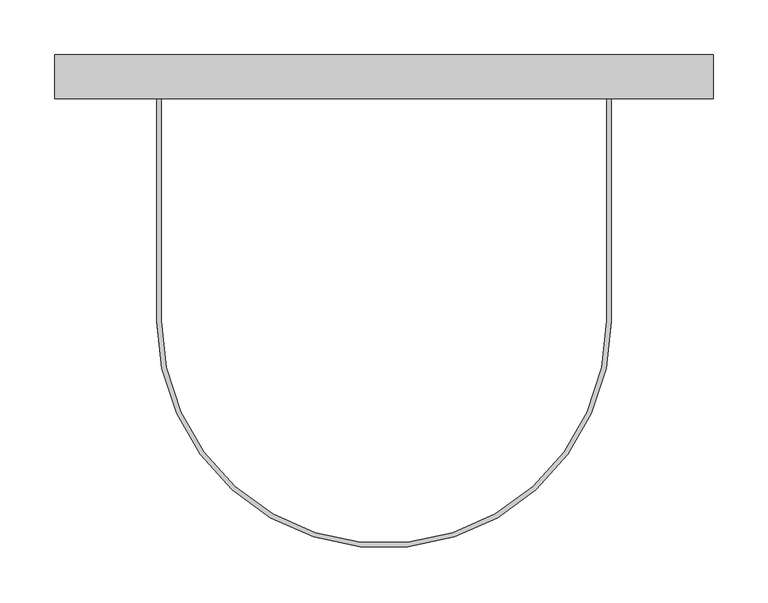
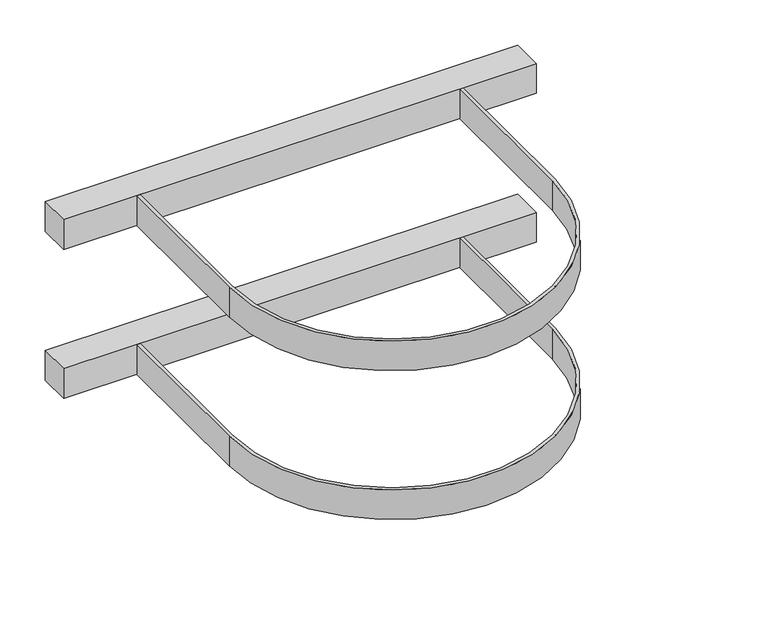
"""IFC4 building model written with IfcOpenShell, lengths in millimetres: proxy geometry."""

from ifc_helpers import new_model, si_unit, point, frame, origin, origin_2d, place, context, project, spatial, polyline, circle_curve, trimmed, segment, composite_curve, outline, extrude, source, transform, mapped, element, save


def specialty_equipment_26c2a469(model_context):
    return source(origin(), model_context, "Body", "SweptSolid", [
        extrude(outline(polyline([(300.0, 203.0), (-300.0, 203.0), (-300.0, 243.0), (300.0, 243.0), (300.0, 203.0)])), frame((0.0, 0.0, -20.0), z_axis=(0.0, 0.0, 1.0), x_axis=(1.0, 0.0, 0.0)), (0.0, 0.0, 1.0), 40.0),
        extrude(outline(composite_curve([segment(polyline([(-203.0, 203.0), (-203.0, 0.0)]), True, "CONTINUOUS"), segment(trimmed(circle_curve(origin_2d(), 203.0), [point((-203.0, 0.0))], [point((203.0, 0.0))], True, "CARTESIAN"), True, "CONTINUOUS"), segment(polyline([(203.0, 0.0), (203.0, 203.0), (207.0, 203.0), (207.0, 0.0)]), True, "CONTINUOUS"), segment(trimmed(circle_curve(origin_2d(), 207.0), [point((207.0, 0.0))], [point((-207.0, 0.0))], False, "CARTESIAN"), True, "CONTINUOUS"), segment(polyline([(-207.0, 0.0), (-207.0, 203.0), (-203.0, 203.0)]), True, "CONTINUOUS")], self_intersect=False)), frame((0.0, 0.0, -20.0), z_axis=(0.0, 0.0, 1.0), x_axis=(1.0, 0.0, 0.0)), (0.0, 0.0, 1.0), 40.0),
        extrude(outline(polyline([(300.0, 203.0), (-300.0, 203.0), (-300.0, 243.0), (300.0, 243.0), (300.0, 203.0)])), frame((0.0, 0.0, 180.0), z_axis=(0.0, 0.0, 1.0), x_axis=(1.0, 0.0, 0.0)), (0.0, 0.0, 1.0), 40.0),
        extrude(outline(composite_curve([segment(polyline([(-203.0, 203.0), (-203.0, 0.0)]), True, "CONTINUOUS"), segment(trimmed(circle_curve(origin_2d(), 203.0), [point((-203.0, 0.0))], [point((203.0, 0.0))], True, "CARTESIAN"), True, "CONTINUOUS"), segment(polyline([(203.0, 0.0), (203.0, 203.0), (207.0, 203.0), (207.0, 0.0)]), True, "CONTINUOUS"), segment(trimmed(circle_curve(origin_2d(), 207.0), [point((207.0, 0.0))], [point((-207.0, 0.0))], False, "CARTESIAN"), True, "CONTINUOUS"), segment(polyline([(-207.0, 0.0), (-207.0, 203.0), (-203.0, 203.0)]), True, "CONTINUOUS")], self_intersect=False)), frame((0.0, 0.0, 180.0), z_axis=(0.0, 0.0, 1.0), x_axis=(1.0, 0.0, 0.0)), (0.0, 0.0, 1.0), 40.0),
    ])


if __name__ == "__main__":
    model = new_model("IFC4")
    model_context = context("Model", 3, world=origin())
    ifc_project = project(units=[si_unit("LENGTHUNIT", "METRE", prefix="MILLI")], contexts=[model_context])
    site = spatial("IfcSite", under=ifc_project)
    building = spatial("IfcBuilding", under=site)
    placement = place(None, origin())
    specialty_equipment_shape = specialty_equipment_26c2a469(model_context)
    element("IfcBuildingElementProxy", 1, Name="Specialty Equipment", at=placement, inside=building, context=model_context, shape_type="MappedRepresentation", body=[
        mapped(specialty_equipment_shape, transform((0.0, 0.0, 0.0), x_axis=(1.0, 0.0, 0.0), y_axis=(0.0, 1.0, 0.0), z_axis=(0.0, 0.0, 1.0))),
    ])
    save(model, "model.ifc")
